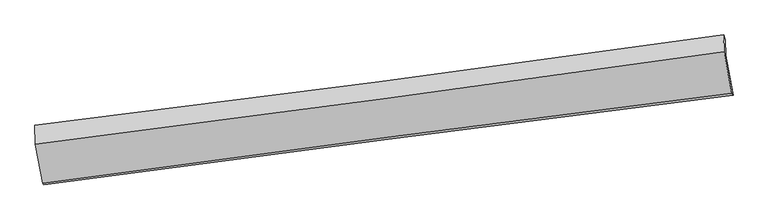
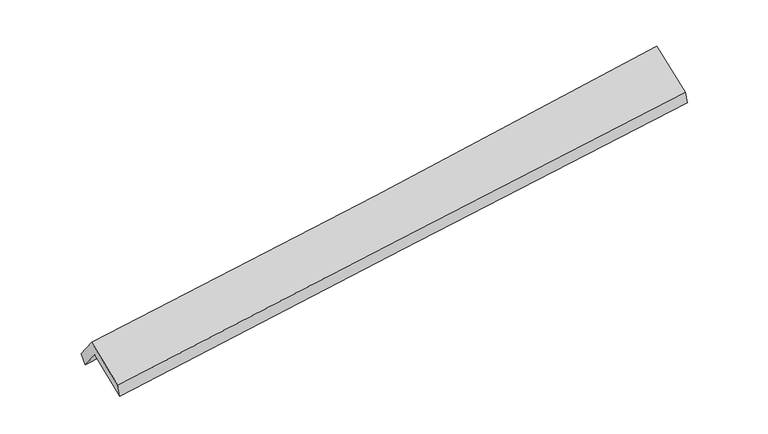
"""IFC4 building model written with IfcOpenShell, lengths in millimetres: proxy geometry."""

from ifc_helpers import new_model, si_unit, frame, origin, place, context, project, spatial, source, transform, mapped, element, save
from ifc_brep_helpers import plane_surface, spline_curve, spline_surface, advanced_brep


def generic_models_10ecffc2(model_context):
    return source(origin(), model_context, "Body", "AdvancedBrep", [
        advanced_brep(
        [(-4750.213378, -2205.2820324, 1744.0543674), (-4756.9168386, -1968.6755695, 1439.0333143), (4686.8017842, -727.0770415, 2226.2474587), (4692.7239352, -936.106271, 2495.7173409), (-4777.6586389, -1899.0498796, 1590.5513226), (4666.0599838, -657.4513516, 2377.765467), (-4770.2959566, -2158.9243422, 1925.5683008), (4672.6413566, -889.7485808, 2677.2312743), (-4670.1006169, -2688.2652781, 1512.7537072), (4780.2179269, -1458.0852178, 2234.0052892), (-4653.9957082, -2713.6085826, 1347.6281626), (4796.3228356, -1483.4285223, 2068.8797446)],
        [
            (0, 1),
            (1, 2, spline_curve(3, [(-4756.9168386, -1968.6755695, 1439.0333143), (-3181.356812438, -1774.618583912, 1558.107467536), (-1607.112408283, -1574.195148037, 1683.199033527), (1540.797234031, -1160.345594643, 1945.588036984), (3114.459037693, -946.902854064, 2082.901185958), (4686.8017842, -727.0770415, 2226.2474587)], [4, 2, 4], [0.0, 15.668232359581218, 31.35690584631738])),
            (2, 3),
            (3, 0, spline_curve(3, [(4692.7239352, -936.106271, 2495.7173409), (3120.424453348, -1157.459153149, 2354.339689182), (1546.849461828, -1373.966030751, 2220.97666992), (-1600.799630729, -1797.011998116, 1970.443217124), (-3174.87041065, -2003.563707886, 1853.251911443), (-4750.213378, -2205.2820324, 1744.0543674)], [4, 2, 4], [0.0, 15.688673486736164, 31.35690584631738])),
            (1, 4),
            (4, 5, spline_curve(3, [(-4777.6586389, -1899.0498796, 1590.5513226), (-3202.098612733, -1704.992893779, 1709.625475986), (-1627.854209014, -1504.569458226, 1834.717041585), (1520.055433962, -1090.719904654, 2097.106045527), (3093.717237168, -877.277164154, 2234.419194404), (4666.0599838, -657.4513516, 2377.765467)], [4, 2, 4], [0.0, 15.66827395674058, 31.35698909490469])),
            (5, 2),
            (4, 6),
            (6, 7, spline_curve(3, [(-4770.2959566, -2158.9243422, 1925.5683008), (-3194.95298925, -1957.206017686, 2034.765844843), (-1620.882209429, -1750.654307916, 2151.957150524), (1526.766883128, -1327.608340551, 2402.49060332), (3100.341874748, -1111.101462949, 2535.853622582), (4672.6413566, -889.7485808, 2677.2312743)], [4, 2, 4], [0.0, 15.668232359581213, 31.35690584631737])),
            (7, 5),
            (6, 8),
            (8, 9, spline_curve(3, [(-4670.1006169, -2688.2652781, 1512.7537072), (-3096.968973861, -2474.864329588, 1631.06212325), (-1523.390275878, -2265.712906502, 1750.280854963), (1626.714737757, -1855.641791489, 1990.695672084), (3203.24222157, -1654.733194132, 2111.89413454), (4780.2179269, -1458.0852178, 2234.0052892)], [4, 2, 4], [0.0, 15.667901003219596, 31.3562427012992])),
            (9, 7),
            (8, 10),
            (10, 11, spline_curve(3, [(-4653.9957082, -2713.6085826, 1347.6281626), (-3080.864064946, -2500.20763407, 1465.936578718), (-1507.285367172, -2291.056211048, 1585.155310436), (1642.819646452, -1880.985095944, 1825.570127612), (3219.347129978, -1680.076498747, 1946.768589962), (4796.3228356, -1483.4285223, 2068.8797446)], [4, 2, 4], [0.0, 15.66784222252431, 31.356125063222017])),
            (11, 9),
            (10, 0),
            (3, 11),
        ],
        [
            spline_surface(3, 3, [[(-4750.213378, -2205.2820324, 1744.0543674), (-3174.870410647, -2003.56370785, 1853.251911439), (-1600.79963079, -1797.011998142, 1970.443216911), (1546.84946189, -1373.966030725, 2220.976670134), (3120.424453101, -1157.45915329, 2354.339689143), (4692.7239352, -936.106271, 2495.7173409)], [(-4752.447864872, -2126.413211419, 1642.380683045), (-3177.032544631, -1927.248666455, 1754.870430218), (-1602.90388999, -1722.739714781, 1874.695155754), (1544.832052668, -1302.759218666, 2129.18045912), (3118.435981272, -1087.273720249, 2263.860188162), (4690.749884858, -866.429861173, 2405.894046833)], [(-4754.682351728, -2047.544390481, 1540.706998655), (-3179.1946786, -1850.933625105, 1656.488948963), (-1605.008149234, -1648.467431456, 1778.947094586), (1542.814643402, -1231.552406643, 2037.384248096), (3116.447509469, -1017.088287188, 2173.380687182), (4688.775834542, -796.753451327, 2316.070752767)], [(-4756.9168386, -1968.6755695, 1439.0333143), (-3181.356812584, -1774.61858371, 1558.107467741), (-1607.112408433, -1574.195148096, 1683.199033429), (1540.797234181, -1160.345594584, 1945.588037083), (3114.45903764, -946.902854146, 2082.9011862), (4686.8017842, -727.0770415, 2226.2474587)]], [4, 4], [4, 2, 4], [0.0, 1.1682257613130973], [0.0, 15.668232359581218, 31.35690584631738]),
            spline_surface(3, 3, [[(-4756.9168386, -1968.6755695, 1439.0333143), (-3181.356812584, -1774.61858371, 1558.107467741), (-1607.112408433, -1574.195148096, 1683.199033429), (1540.797234181, -1160.345594584, 1945.588037083), (3114.45903764, -946.902854146, 2082.9011862), (4686.8017842, -727.0770415, 2226.2474587)], [(-4763.830772057, -1945.467006197, 1489.539317055), (-3188.27074604, -1751.410020407, 1608.613470496), (-1614.02634189, -1550.986584793, 1733.705036184), (1533.883300724, -1137.137031281, 1996.094039837), (3107.545104183, -923.694290844, 2133.407188955), (4679.887850743, -703.868478197, 2276.753461455)], [(-4770.744705443, -1922.258442903, 1540.045319845), (-3195.184679427, -1728.201457113, 1659.119473286), (-1620.940275376, -1527.778021499, 1784.211038974), (1526.969367238, -1113.928467987, 2046.600042628), (3100.631170697, -900.485727549, 2183.913191745), (4672.973917257, -680.659914903, 2327.259464245)], [(-4777.6586389, -1899.0498796, 1590.5513226), (-3202.098612884, -1704.99289381, 1709.625476041), (-1627.854208833, -1504.569458196, 1834.717041729), (1520.055433781, -1090.719904684, 2097.106045383), (3093.71723724, -877.277164246, 2234.4191945), (4666.0599838, -657.4513516, 2377.765467)]], [4, 4], [4, 2, 4], [0.0, 0.551295000244241], [0.0, 15.66827395674058, 31.35698909490469]),
            spline_surface(3, 3, [[(-4777.6586389, -1899.0498796, 1590.5513226), (-3202.098612884, -1704.99289381, 1709.625476041), (-1627.854208833, -1504.569458196, 1834.717041729), (1520.055433781, -1090.719904684, 2097.106045383), (3093.71723724, -877.277164246, 2234.4191945), (4666.0599838, -657.4513516, 2377.765467)], [(-4775.204411455, -1985.674700467, 1702.22364868), (-3199.716738327, -1789.063935091, 1818.005598987), (-1625.530209061, -1586.597741442, 1940.463744611), (1522.292583575, -1169.682716629, 2198.900898121), (3095.925449642, -955.218597174, 2334.897337207), (4668.253774715, -734.883761313, 2477.587402792)], [(-4772.750184045, -2072.299521333, 1813.89597472), (-3197.334863804, -1873.134976369, 1926.385721893), (-1623.206209263, -1668.626024696, 2046.210447429), (1524.529733395, -1248.645528581, 2300.695750795), (3098.133662099, -1033.160030163, 2435.375479837), (4670.447565685, -812.316171087, 2577.409338508)], [(-4770.2959566, -2158.9243422, 1925.5683008), (-3194.952989247, -1957.20601765, 2034.765844839), (-1620.88220949, -1750.654307942, 2151.957150311), (1526.76688319, -1327.608340525, 2402.490603534), (3100.341874501, -1111.10146309, 2535.853622543), (4672.6413566, -889.7485808, 2677.2312743)]], [4, 4], [4, 2, 4], [0.0, 1.292793592761359], [0.0, 15.668232359581213, 31.35690584631737]),
            spline_surface(3, 3, [[(-4770.2959566, -2158.9243422, 1925.5683008), (-3194.952989247, -1957.20601765, 2034.765844839), (-1620.88220949, -1750.654307942, 2151.957150311), (1526.76688319, -1327.608340525, 2402.490603534), (3100.341874501, -1111.10146309, 2535.853622543), (4672.6413566, -889.7485808, 2677.2312743)], [(-4736.897510032, -2335.371320857, 1787.963436262), (-3162.291650767, -2129.758788391, 1900.197937674), (-1588.384898356, -1922.340507549, 2018.065051847), (1560.082834773, -1503.619490803, 2265.225626397), (3134.641990164, -1292.312040172, 2394.533793199), (4708.500213366, -1079.194126466, 2529.489279243)], [(-4703.499063468, -2511.818299443, 1650.358571738), (-3129.63031229, -2302.311559061, 1765.630030523), (-1555.887587208, -2094.02670709, 1884.172953386), (1593.398786371, -1679.630641015, 2127.960649263), (3168.942105828, -1473.522617257, 2253.213963926), (4744.359070134, -1268.639672134, 2381.747284257)], [(-4670.1006169, -2688.2652781, 1512.7537072), (-3096.96897381, -2474.864329803, 1631.062123357), (-1523.390276074, -2265.712906698, 1750.280854922), (1626.714737954, -1855.641791293, 1990.695672126), (3203.24222149, -1654.733194338, 2111.894134582), (4780.2179269, -1458.0852178, 2234.0052892)]], [4, 4], [4, 2, 4], [0.0, 2.1940069650648573], [0.0, 15.667901003219596, 31.3562427012992]),
            spline_surface(3, 3, [[(-4670.1006169, -2688.2652781, 1512.7537072), (-3096.96897381, -2474.864329803, 1631.062123357), (-1523.390276074, -2265.712906698, 1750.280854922), (1626.714737954, -1855.641791293, 1990.695672126), (3203.24222149, -1654.733194338, 2111.894134582), (4780.2179269, -1458.0852178, 2234.0052892)], [(-4664.73231399, -2696.713046265, 1457.711859018), (-3091.6006709, -2483.312097968, 1576.020275175), (-1518.021973164, -2274.160674863, 1695.239006739), (1632.083040864, -1864.089559459, 1935.653823944), (3208.6105244, -1663.180962504, 2056.8522864), (4785.58622981, -1466.532985965, 2178.963441018)], [(-4659.36401111, -2705.160814435, 1402.670010782), (-3086.23236802, -2491.759866137, 1520.97842694), (-1512.653670284, -2282.608443032, 1640.197158604), (1637.451343744, -1872.537327628, 1880.611975808), (3213.978827281, -1671.628730673, 2001.810438164), (4790.95453269, -1474.980754135, 2123.921592782)], [(-4653.9957082, -2713.6085826, 1347.6281626), (-3080.86406511, -2500.207634303, 1465.936578757), (-1507.285367374, -2291.056211198, 1585.155310422), (1642.819646654, -1880.985095793, 1825.570127626), (3219.34713019, -1680.076498838, 1946.768589982), (4796.3228356, -1483.4285223, 2068.8797446)]], [4, 4], [4, 2, 4], [0.0, 0.5506349686798819], [0.0, 15.66784222252431, 31.356125063222017]),
            spline_surface(3, 3, [[(-4653.9957082, -2713.6085826, 1347.6281626), (-3080.86406511, -2500.207634303, 1465.936578757), (-1507.285367374, -2291.056211198, 1585.155310422), (1642.819646654, -1880.985095793, 1825.570127626), (3219.34713019, -1680.076498838, 1946.768589982), (4796.3228356, -1483.4285223, 2068.8797446)], [(-4686.068264794, -2544.166399194, 1479.770230841), (-3112.199513616, -2334.659658813, 1595.041689625), (-1538.456788534, -2126.374806842, 1713.584612588), (1610.829585044, -1711.978740766, 1957.372308465), (3186.372904502, -1505.870717008, 2082.625623029), (4761.789868808, -1300.987771886, 2211.15894336)], [(-4718.140821406, -2374.724215806, 1611.912299159), (-3143.53496214, -2169.11168334, 1724.146800571), (-1569.62820963, -1961.693402498, 1842.013914744), (1578.839523499, -1542.972385752, 2089.174489294), (3153.39867879, -1331.66493512, 2218.482656096), (4727.256901992, -1118.547021414, 2353.43814214)], [(-4750.213378, -2205.2820324, 1744.0543674), (-3174.870410647, -2003.56370785, 1853.251911439), (-1600.79963079, -1797.011998142, 1970.443216911), (1546.84946189, -1373.966030725, 2220.976670134), (3120.424453101, -1157.45915329, 2354.339689143), (4692.7239352, -936.106271, 2495.7173409)]], [4, 4], [4, 2, 4], [0.0, 2.105606406363087], [0.0, 15.667901003219596, 31.3562427012992]),
            plane_surface(frame((4715.7946371, -1025.3161642, 2346.6410958), z_axis=(0.9888910555806761, 0.12718760083621472, 0.07692720186035601), x_axis=(0.0959576308654634, -0.15100262277724186, -0.9838650014067385))),
            plane_surface(frame((-4729.8635229, -2272.3009474, 1593.2648625), z_axis=(-0.9888910555806764, -0.1271876008362112, -0.0769272018603593), x_axis=(0.14762461187884598, -0.7799140205021786, -0.608227831155191))),
        ],
        [
            (0, [[1, 2, 3, 4]]),
            (1, [[5, 6, 7, -2]]),
            (2, [[8, 9, 10, -6]]),
            (3, [[11, 12, 13, -9]]),
            (4, [[14, 15, 16, -12]]),
            (5, [[17, -4, 18, -15]]),
            (6, [[-16, -18, -3, -7, -10, -13]]),
            (7, [[-17, -14, -11, -8, -5, -1]]),
        ],
    ),
    ])


if __name__ == "__main__":
    model = new_model("IFC4")
    model_context = context("Model", 3, world=origin())
    ifc_project = project(units=[si_unit("LENGTHUNIT", "METRE", prefix="MILLI")], contexts=[model_context])
    site = spatial("IfcSite", under=ifc_project)
    building = spatial("IfcBuilding", under=site)
    placement = place(None, origin())
    generic_models_shape = generic_models_10ecffc2(model_context)
    element("IfcBuildingElementProxy", 1, Name="Generic Models", at=placement, inside=building, context=model_context, shape_type="MappedRepresentation", body=[
        mapped(generic_models_shape, transform((0.0, 0.0, 0.0), x_axis=(1.0, 0.0, 0.0), y_axis=(0.0, 1.0, 0.0), z_axis=(0.0, 0.0, 1.0))),
    ])
    save(model, "model.ifc")
